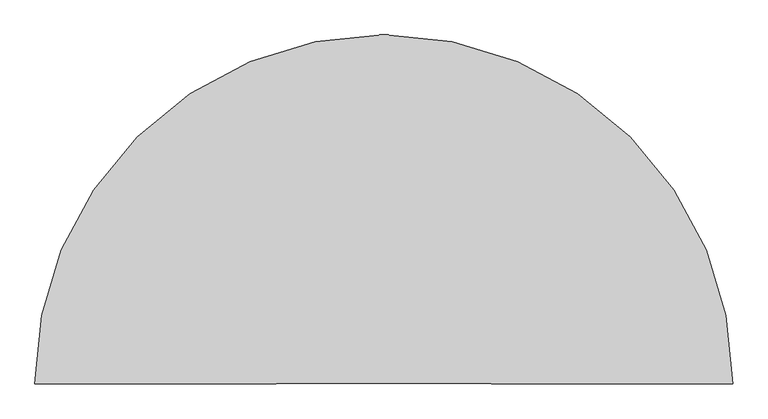
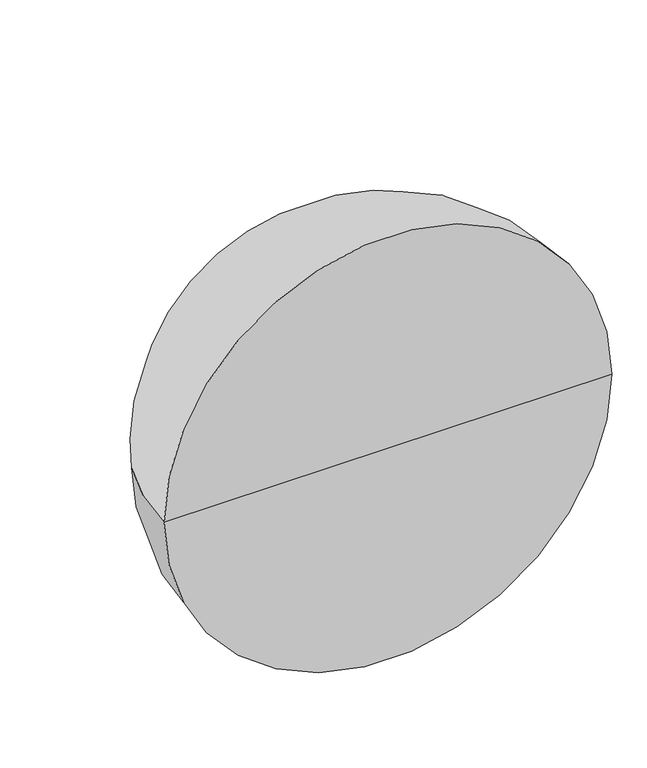
"""IFC4 building model written with IfcOpenShell, lengths in millimetres: proxy geometry."""

from ifc_helpers import new_model, si_unit, point, frame, origin, place, context, project, spatial, circle_curve, ellipse_curve, trimmed, source, transform, mapped, element, save
from ifc_brep_helpers import plane_surface, revolved_surface, advanced_brep


def generic_models_c0f8842e(model_context):
    return source(origin(), model_context, "Body", "AdvancedBrep", [
        advanced_brep(
        [(29288.1440241, 1000.0, 0.0), (27288.1440241, 1000.0, 0.0), (28288.1440241, 2000.0, 0.0), (28288.1440241, 1000.0, 0.0)],
        [
            (0, 1, circle_curve(frame((28288.1440241, 1000.0, 0.0), z_axis=(0.0, 1.0, 0.0), x_axis=(-1.0, 0.0, 0.0)), 1000.0)),
            (1, 2, circle_curve(frame((28288.1440241, 1000.0, 0.0), z_axis=(0.0, 0.0, -1.0), x_axis=(1.0, 0.0, 0.0)), 1000.0)),
            (2, 0, circle_curve(frame((28288.1440241, 1000.0, 0.0), z_axis=(0.0, 0.0, -1.0), x_axis=(-1.0, 0.0, 0.0)), 1000.0)),
            (1, 0, circle_curve(frame((28288.1440241, 1000.0, 0.0), z_axis=(0.0, 1.0, 0.0), x_axis=(-1.0, 0.0, 0.0)), 1000.0)),
            (3, 1),
            (0, 3),
        ],
        [
            revolved_surface(trimmed(ellipse_curve(frame((28288.1440241, 1000.0, 0.0), z_axis=(0.0, 0.0, 1.0), x_axis=(1.0, 0.0, 0.0)), 1000.0, 1000.0), [point((28288.1440241, 2000.0, 0.0))], [point((27288.1440241, 1000.0, 0.0))], True, "CARTESIAN"), (28288.1440241, 941.3794929, 0.0), (0.0, -1.0, 0.0)),
            plane_surface(frame((28288.1440241, 1000.0, 0.0), z_axis=(0.0, -1.0, 0.0), x_axis=(-1.0, 0.0, 0.0))),
        ],
        [
            (0, [[1, 2, 3]]),
            (0, [[4, -3, -2]]),
            (1, [[5, -1, 6]]),
            (1, [[-6, -4, -5]]),
        ],
    ),
    ])


if __name__ == "__main__":
    model = new_model("IFC4")
    model_context = context("Model", 3, world=origin())
    ifc_project = project(units=[si_unit("LENGTHUNIT", "METRE", prefix="MILLI")], contexts=[model_context])
    site = spatial("IfcSite", under=ifc_project)
    building = spatial("IfcBuilding", under=site)
    placement = place(None, origin())
    generic_models_shape = generic_models_c0f8842e(model_context)
    element("IfcBuildingElementProxy", 1, Name="Generic Models", at=placement, inside=building, context=model_context, shape_type="MappedRepresentation", body=[
        mapped(generic_models_shape, transform((0.0, 0.0, 0.0), x_axis=(1.0, 0.0, 0.0), y_axis=(0.0, 1.0, 0.0), z_axis=(0.0, 0.0, 1.0))),
    ])
    save(model, "model.ifc")
